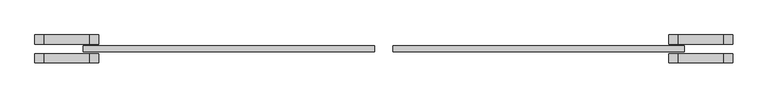
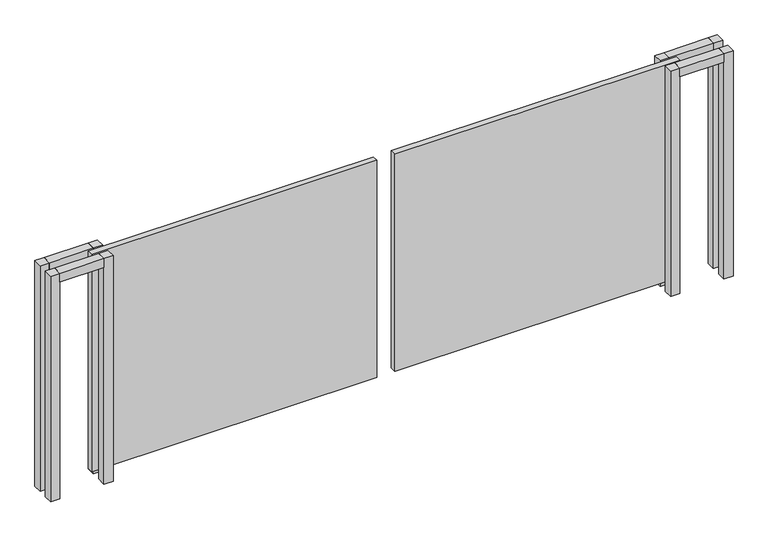
"""IFC4 building model written with IfcOpenShell, lengths in millimetres: proxy geometry."""

from ifc_helpers import new_model, si_unit, frame, origin, origin_with_axes, place, context, project, spatial, polyline, outline, extrude, source, transform, mapped, element, save


def generic_models_9f9d8011(model_context):
    return source(origin(), model_context, "Body", "SweptSolid", [
        extrude(outline(polyline([(-3536.9656439, 180.0), (-2954.7306857, 180.0), (-2954.7306857, 60.0), (-3536.9656439, 60.0), (-3536.9656439, 180.0)])), frame((0.0, 0.0, 2910.0), z_axis=(0.0, 0.0, 1.0), x_axis=(1.0, 0.0, 0.0)), (0.0, 0.0, 1.0), 120.0),
        extrude(outline(polyline([(-3536.9656439, -60.0), (-2954.7306857, -60.0), (-2954.7306857, -180.0), (-3536.9656439, -180.0), (-3536.9656439, -60.0)])), frame((0.0, 0.0, 2910.0), z_axis=(0.0, 0.0, 1.0), x_axis=(1.0, 0.0, 0.0)), (0.0, 0.0, 1.0), 120.0),
        extrude(outline(polyline([(-3656.9656439, -60.0), (-3536.9656439, -60.0), (-3536.9656439, -180.0), (-3656.9656439, -180.0), (-3656.9656439, -60.0)])), frame((0.0, 0.0, -117.463177), z_axis=(0.0, 0.0, 1.0), x_axis=(1.0, 0.0, 0.0)), (0.0, 0.0, 1.0), 3147.463177),
        extrude(outline(polyline([(-3656.9656439, 180.0), (-3536.9656439, 180.0), (-3536.9656439, 60.0), (-3656.9656439, 60.0), (-3656.9656439, 180.0)])), frame((0.0, 0.0, -117.463177), z_axis=(0.0, 0.0, 1.0), x_axis=(1.0, 0.0, 0.0)), (0.0, 0.0, 1.0), 3147.463177),
        extrude(outline(polyline([(-2954.7306857, -60.0), (-2834.7306857, -60.0), (-2834.7306857, -180.0), (-2954.7306857, -180.0), (-2954.7306857, -60.0)])), frame((0.0, 0.0, -117.463177), z_axis=(0.0, 0.0, 1.0), x_axis=(1.0, 0.0, 0.0)), (0.0, 0.0, 1.0), 3147.463177),
        extrude(outline(polyline([(-2954.7306857, 180.0), (-2834.7306857, 180.0), (-2834.7306857, 60.0), (-2954.7306857, 60.0), (-2954.7306857, 180.0)])), frame((0.0, 0.0, -117.463177), z_axis=(0.0, 0.0, 1.0), x_axis=(1.0, 0.0, 0.0)), (0.0, 0.0, 1.0), 3147.463177),
        extrude(outline(polyline([(-3034.7306857, 40.0), (722.6346572, 40.0), (722.6346572, -40.0), (-3034.7306857, -40.0), (-3034.7306857, 40.0)])), origin_with_axes(), (0.0, 0.0, 1.0), 3030.0),
        extrude(outline(polyline([(4640.0, -60.0), (5222.2349582, -60.0), (5222.2349582, -180.0), (4640.0, -180.0), (4640.0, -60.0)])), frame((0.0, 0.0, 2910.0), z_axis=(0.0, 0.0, 1.0), x_axis=(1.0, 0.0, 0.0)), (0.0, 0.0, 1.0), 120.0),
        extrude(outline(polyline([(4640.0, 180.0), (5222.2349582, 180.0), (5222.2349582, 60.0), (4640.0, 60.0), (4640.0, 180.0)])), frame((0.0, 0.0, 2910.0), z_axis=(0.0, 0.0, 1.0), x_axis=(1.0, 0.0, 0.0)), (0.0, 0.0, 1.0), 120.0),
        extrude(outline(polyline([(5342.2349582, -60.0), (5342.2349582, -180.0), (5222.2349582, -180.0), (5222.2349582, -60.0), (5342.2349582, -60.0)])), frame((0.0, 0.0, -117.516011), z_axis=(0.0, 0.0, 1.0), x_axis=(1.0, 0.0, 0.0)), (0.0, 0.0, 1.0), 3147.516011),
        extrude(outline(polyline([(5342.2349582, 180.0), (5342.2349582, 60.0), (5222.2349582, 60.0), (5222.2349582, 180.0), (5342.2349582, 180.0)])), frame((0.0, 0.0, -117.516011), z_axis=(0.0, 0.0, 1.0), x_axis=(1.0, 0.0, 0.0)), (0.0, 0.0, 1.0), 3147.516011),
        extrude(outline(polyline([(4640.0, -60.0), (4640.0, -180.0), (4520.0, -180.0), (4520.0, -60.0), (4640.0, -60.0)])), frame((0.0, 0.0, -117.516011), z_axis=(0.0, 0.0, 1.0), x_axis=(1.0, 0.0, 0.0)), (0.0, 0.0, 1.0), 3147.516011),
        extrude(outline(polyline([(4640.0, 180.0), (4640.0, 60.0), (4520.0, 60.0), (4520.0, 180.0), (4640.0, 180.0)])), frame((0.0, 0.0, -117.516011), z_axis=(0.0, 0.0, 1.0), x_axis=(1.0, 0.0, 0.0)), (0.0, 0.0, 1.0), 3147.516011),
        extrude(outline(polyline([(4720.0, 40.0), (4720.0, -40.0), (962.6346572, -40.0), (962.6346572, 40.0), (4720.0, 40.0)])), origin_with_axes(), (0.0, 0.0, 1.0), 3030.0),
    ])


if __name__ == "__main__":
    model = new_model("IFC4")
    model_context = context("Model", 3, world=origin())
    ifc_project = project(units=[si_unit("LENGTHUNIT", "METRE", prefix="MILLI")], contexts=[model_context])
    site = spatial("IfcSite", under=ifc_project)
    building = spatial("IfcBuilding", under=site)
    placement = place(None, origin())
    generic_models_shape = generic_models_9f9d8011(model_context)
    element("IfcBuildingElementProxy", 1, Name="Generic Models", at=placement, inside=building, context=model_context, shape_type="MappedRepresentation", body=[
        mapped(generic_models_shape, transform((0.0, 0.0, 0.0), x_axis=(1.0, 0.0, 0.0), y_axis=(0.0, 1.0, 0.0), z_axis=(0.0, 0.0, 1.0))),
    ])
    save(model, "model.ifc")
